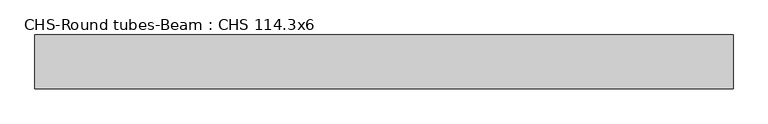
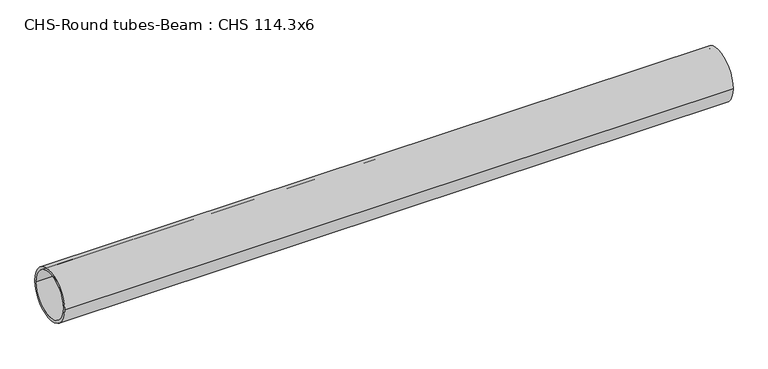
"""IFC4 building model written with IfcOpenShell, lengths in millimetres: beam geometry, CHS-Round tubes-Beam : CHS 114.3x6."""

from ifc_helpers import new_model, si_unit, point, frame, origin, origin_2d, place, context, project, spatial, circle_curve, trimmed, segment, composite_curve, outline, extrude, source, transform, mapped, element, save


def chs_round_tubes_beam_chs_114_3x6_65136e29(model_context):
    return source(origin(), model_context, "Body", "SweptSolid", [
        extrude(outline(composite_curve([segment(trimmed(circle_curve(origin_2d(), 57.15), [point((57.15, 0.0))], [point((-57.15, 0.0))], False, "CARTESIAN"), True, "CONTINUOUS"), segment(trimmed(circle_curve(origin_2d(), 57.15), [point((-57.15, 0.0))], [point((57.15, 0.0))], False, "CARTESIAN"), True, "CONTINUOUS")], self_intersect=False), holes=[composite_curve([segment(trimmed(circle_curve(origin_2d(), 51.15), [point((51.15, 0.0))], [point((-51.15, 0.0))], True, "CARTESIAN"), True, "CONTINUOUS"), segment(trimmed(circle_curve(origin_2d(), 51.15), [point((-51.15, 0.0))], [point((51.15, 0.0))], True, "CARTESIAN"), True, "CONTINUOUS")], self_intersect=False)]), frame((-750.6197725, 0.0, 0.0), z_axis=(1.0, 0.0, 0.0), x_axis=(0.0, 1.0, 0.0)), (0.0, 0.0, 1.0), 1483.9614781),
    ])


if __name__ == "__main__":
    model = new_model("IFC4")
    model_context = context("Model", 3, world=origin())
    ifc_project = project(units=[si_unit("LENGTHUNIT", "METRE", prefix="MILLI")], contexts=[model_context])
    site = spatial("IfcSite", under=ifc_project)
    building = spatial("IfcBuilding", under=site)
    placement = place(None, origin())
    chs_round_tubes_beam_chs_114_3x6_shape = chs_round_tubes_beam_chs_114_3x6_65136e29(model_context)
    element("IfcBeam", 1, ObjectType="CHS-Round tubes-Beam : CHS 114.3x6", at=placement, inside=building, context=model_context, shape_type="MappedRepresentation", body=[
        mapped(chs_round_tubes_beam_chs_114_3x6_shape, transform((0.0, 0.0, 0.0), x_axis=(1.0, 0.0, 0.0), y_axis=(0.0, 1.0, 0.0), z_axis=(0.0, 0.0, 1.0))),
    ])
    save(model, "model.ifc")
